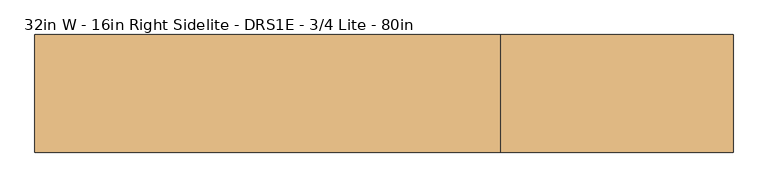
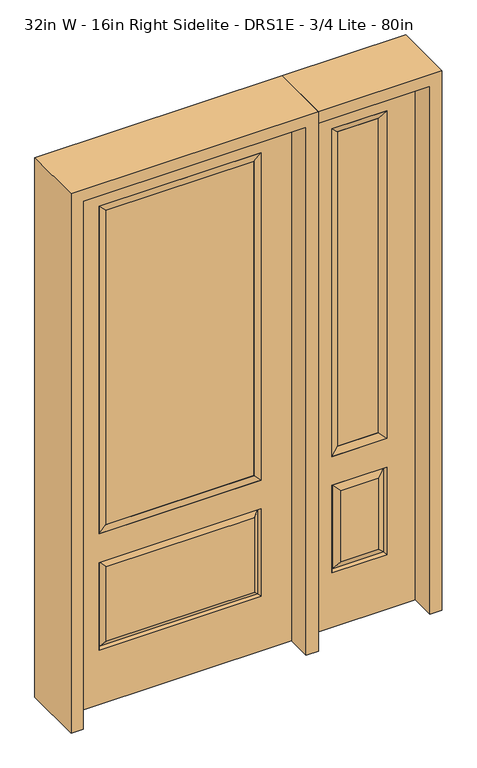
"""IFC4 building model written with IfcOpenShell, lengths in millimetres: door geometry, 32in W - 16in Right Sidelite - DRS1E - 3/4 Lite - 80in."""

import ifcopenshell
import ifcopenshell.guid

model = None  # the IFC model being written
_history = None  # IfcOwnerHistory: only IFC2X3 demands one
_inside = {}  # id of a spatial element -> (the spatial element, [elements in it])
_under = {}  # id of a project, library or spatial element -> (it, [spatial elements below it])
_declared = {}  # id of a project -> (the project, [libraries it declares])
_typed = {}  # id of a type object -> (the type object, [elements of that type])
_made_of = {}  # id of a material, layer set ... -> (it, [elements and type objects made of it])


def new_model(schema):
    """Start an empty IFC model of exactly this schema.

    Asked for "IFC4X3", IfcOpenShell would pick the latest addendum, in which some entities
    have other attributes; the version numbers below select the first issue.
    IFC2X3 requires an IfcOwnerHistory on every rooted entity: one is made here for all.
    """
    global model, _history
    if schema == "IFC4X3":
        model = ifcopenshell.file(schema_version=(4, 3, 0, 0))
    else:
        model = ifcopenshell.file(schema=schema)
    _inside.clear()
    _under.clear()
    _declared.clear()
    _typed.clear()
    _made_of.clear()
    _history = None
    if model.schema == "IFC2X3":
        org = make("IfcOrganization", Name="unknown")
        user = make(
            "IfcPersonAndOrganization",
            ThePerson=make("IfcPerson", FamilyName="unknown"),
            TheOrganization=org,
        )
        app = make(
            "IfcApplication",
            ApplicationDeveloper=org,
            Version="unknown",
            ApplicationFullName="unknown",
            ApplicationIdentifier="unknown",
        )
        _history = make(
            "IfcOwnerHistory",
            OwningUser=user,
            OwningApplication=app,
            ChangeAction="ADDED",
            CreationDate=0,
        )
    return model


def make(cls, **values):
    """One entity of the class cls with the attributes given. An attribute that is None is left unset."""
    return model.create_entity(
        cls, **{name: value for name, value in values.items() if value is not None}
    )


def rooted(cls, **values):
    """An entity with a GlobalId (a new one), such as an element, a storey or a relation."""
    return make(cls, GlobalId=ifcopenshell.guid.new(), OwnerHistory=_history, **values)


def si_unit(unit_type, name, prefix=None):
    """IfcSIUnit, for example si_unit("LENGTHUNIT", "METRE", prefix="MILLI")."""
    return make("IfcSIUnit", UnitType=unit_type, Prefix=prefix, Name=name)


def assignment(units):
    """IfcUnitAssignment: the units of a project."""
    return None if units is None else make("IfcUnitAssignment", Units=units)


def point(xyz):
    """IfcCartesianPoint."""
    return None if xyz is None else make("IfcCartesianPoint", Coordinates=xyz)


def direction(xyz):
    """IfcDirection."""
    return None if xyz is None else make("IfcDirection", DirectionRatios=xyz)


def frame(location, z_axis=None, x_axis=None):
    """IfcAxis2Placement3D, a coordinate frame: its origin and axes. An axis left out is left unset."""
    return make(
        "IfcAxis2Placement3D",
        Location=point(location),
        Axis=direction(z_axis),
        RefDirection=direction(x_axis),
    )


def origin():
    """The frame at (0, 0, 0) with its axes left unset."""
    return frame((0.0, 0.0, 0.0))


def place(relative_to, where):
    """IfcLocalPlacement: puts the frame where relative to a parent placement (None: the world)."""
    return make(
        "IfcLocalPlacement", PlacementRelTo=relative_to, RelativePlacement=where
    )


def context(
    kind, dimensions, precision=None, world=None, true_north=None, identifier=None
):
    """IfcGeometricRepresentationContext, for example the 3D "Model" context."""
    return make(
        "IfcGeometricRepresentationContext",
        ContextIdentifier=identifier,
        ContextType=kind,
        CoordinateSpaceDimension=dimensions,
        Precision=precision,
        WorldCoordinateSystem=world,
        TrueNorth=true_north,
    )


def project(units=None, contexts=None):
    """IfcProject with its units and contexts."""
    return rooted(
        "IfcProject",
        Name="project",
        RepresentationContexts=contexts,
        UnitsInContext=assignment(units),
    )


def spatial(cls, under=None, at=None, **own):
    """A site, building, storey or space (cls), placed at a placement, below another one or the project."""
    s = rooted(cls, ObjectPlacement=at, **own)
    if under is not None:
        _under.setdefault(under.id(), (under, []))[1].append(s)
    return s


def polyline(points):
    """IfcPolyline through the points."""
    return make("IfcPolyline", Points=[point(p) for p in points])


def outline(outer, holes=None, kind="AREA"):
    """IfcArbitraryClosedProfileDef: a profile drawn as a closed curve; with holes, ...WithVoids."""
    if holes is None:
        return make("IfcArbitraryClosedProfileDef", ProfileType=kind, OuterCurve=outer)
    return make(
        "IfcArbitraryProfileDefWithVoids",
        ProfileType=kind,
        OuterCurve=outer,
        InnerCurves=holes,
    )


def extrude(swept, where, along, depth):
    """IfcExtrudedAreaSolid: the profile swept, set in the frame where, extruded along a direction by depth."""
    return make(
        "IfcExtrudedAreaSolid",
        SweptArea=swept,
        Position=where,
        ExtrudedDirection=direction(along),
        Depth=depth,
    )


def faces_of(points, faces, orient=None, outer=None):
    """IfcFace entities. A face is a list of loops; a loop is a list of indices into points, from 0.

    orient and outer hold one flag for each loop. By default every Orientation is true, the
    first loop of a face is its IfcFaceOuterBound and the others are IfcFaceBound.
    """
    made = []
    for i, loops in enumerate(faces):
        bounds = []
        for j, loop in enumerate(loops):
            is_outer = j == 0 if outer is None else outer[i][j]
            bounds.append(
                make(
                    "IfcFaceOuterBound" if is_outer else "IfcFaceBound",
                    Bound=make("IfcPolyLoop", Polygon=[points[k] for k in loop]),
                    Orientation=True if orient is None else orient[i][j],
                )
            )
        made.append(make("IfcFace", Bounds=bounds))
    return made


def faceted_brep(points, faces, orient=None, outer=None, voids=None):
    """IfcFacetedBrep: a solid bounded by flat faces; with voids (closed shells), ...WithVoids."""
    shared = [point(p) for p in points]
    hull = make("IfcClosedShell", CfsFaces=faces_of(shared, faces, orient, outer))
    if voids is None:
        return make("IfcFacetedBrep", Outer=hull)
    return make(
        "IfcFacetedBrepWithVoids",
        Outer=hull,
        Voids=[
            make(cls, CfsFaces=faces_of(shared, fs, o, b)) for cls, fs, o, b in voids
        ],
    )


def shape(context_of_items, identifier, shape_type, items):
    """IfcShapeRepresentation: the items that make up one representation, for example the "Body"."""
    return make(
        "IfcShapeRepresentation",
        ContextOfItems=context_of_items,
        RepresentationIdentifier=identifier,
        RepresentationType=shape_type,
        Items=items,
    )


def source(mapping_origin, context_of_items, identifier, shape_type, items):
    """IfcRepresentationMap: a shape defined once, which mapped items show again and again."""
    return make(
        "IfcRepresentationMap",
        MappingOrigin=mapping_origin,
        MappedRepresentation=shape(context_of_items, identifier, shape_type, items),
    )


def transform(
    local_origin,
    x_axis=None,
    y_axis=None,
    z_axis=None,
    scale=None,
    scale2=None,
    scale3=None,
    uniform=True,
):
    """IfcCartesianTransformationOperator3D, or its non-uniform kind. x_axis, y_axis, z_axis: its Axis1, 2, 3."""
    if uniform:
        return make(
            "IfcCartesianTransformationOperator3D",
            Axis1=direction(x_axis),
            Axis2=direction(y_axis),
            LocalOrigin=point(local_origin),
            Scale=scale,
            Axis3=direction(z_axis),
        )
    return make(
        "IfcCartesianTransformationOperator3DnonUniform",
        Axis1=direction(x_axis),
        Axis2=direction(y_axis),
        LocalOrigin=point(local_origin),
        Scale=scale,
        Axis3=direction(z_axis),
        Scale2=scale2,
        Scale3=scale3,
    )


def mapped(mapping_source, mapping_target):
    """IfcMappedItem: shows the shape of a source again, moved by a transform."""
    return make(
        "IfcMappedItem", MappingSource=mapping_source, MappingTarget=mapping_target
    )


def made_of(thing, what):
    """Note that an element or type object is made of a material, layer set ...; save() writes the relation."""
    if what is not None:
        _made_of.setdefault(what.id(), (what, []))[1].append(thing)
    return thing


def element(
    cls,
    number,
    at=None,
    inside=None,
    cuts=None,
    type_object=None,
    material=None,
    context=None,
    identifier="Body",
    shape_type=None,
    held_by="IfcProductDefinitionShape",
    body=None,
    shapes=None,
    **own,
):
    """One element of the class cls, such as IfcWall. Its Tag is "e" and its number.

    at: its placement. inside: the storey or other place that contains it. cuts: it is an
    opening in that element (IfcRelVoidsElement). A single representation is given by context,
    identifier, shape_type and body (its items); several are given by shapes. held_by: the class
    of the entity that holds the representations. save() writes the other relations.
    """
    e = rooted(cls, Tag="e%d" % number, ObjectPlacement=at, **own)
    if body is not None:
        shapes = [shape(context, identifier, shape_type, body)]
    if shapes is not None:
        e.Representation = make(held_by, Representations=shapes)
    if inside is not None:
        _inside.setdefault(inside.id(), (inside, []))[1].append(e)
    if cuts is not None:
        rooted(
            "IfcRelVoidsElement", RelatingBuildingElement=cuts, RelatedOpeningElement=e
        )
    if type_object is not None:
        _typed.setdefault(type_object.id(), (type_object, []))[1].append(e)
    return made_of(e, material)


def aggregate(whole, parts):
    """IfcRelAggregates: a whole, such as a stair, and the parts it consists of."""
    return rooted("IfcRelAggregates", RelatingObject=whole, RelatedObjects=parts)


def save(model, path):
    """Write the relations noted so far, then the file.

    IfcRelAggregates (storeys below a building ...), IfcRelContainedInSpatialStructure (elements
    in a storey), IfcRelDefinesByType, IfcRelAssociatesMaterial and IfcRelDeclares: one each for
    every whole, place, type object, material and project.
    """
    for whole, parts in _under.values():
        aggregate(whole, parts)
    for where, things in _inside.values():
        rooted(
            "IfcRelContainedInSpatialStructure",
            RelatedElements=things,
            RelatingStructure=where,
        )
    for kind, things in _typed.values():
        rooted("IfcRelDefinesByType", RelatedObjects=things, RelatingType=kind)
    for what, things in _made_of.values():
        rooted("IfcRelAssociatesMaterial", RelatedObjects=things, RelatingMaterial=what)
    for by, libraries in _declared.values():
        rooted("IfcRelDeclares", RelatingContext=by, RelatedDefinitions=libraries)
    model.write(path)


def door_32in_w_16in_right_sidelite_drs1e_3_4_lite_80in_33503a93(model_context):
    return source(origin(), model_context, "Body", "SolidModel", [
        faceted_brep([(450.85, -22.225, 0.0), (857.25, -22.225, 0.0), (857.25, -22.225, 2032.0), (450.85, -22.225, 2032.0), (754.38, -22.225, 1919.224), (754.38, -22.225, 657.098), (553.72, -22.225, 657.098), (553.72, -22.225, 1919.224), (754.38, -22.225, 209.55), (553.72, -22.225, 209.55), (553.72, -22.225, 546.1), (754.38, -22.225, 546.1), (585.4351001, -22.225, 241.2651001), (722.6648999, -22.225, 241.2651001), (722.6648999, -22.225, 514.3848999), (585.4351001, -22.225, 514.3848999), (450.85, 22.225, 0.0), (450.85, 22.225, 2032.0), (857.25, 22.225, 2032.0), (857.25, 22.225, 0.0), (754.38, 22.225, 1919.224), (553.72, 22.225, 1919.224), (553.72, 22.225, 657.098), (754.38, 22.225, 657.098), (553.72, 22.225, 209.55), (754.38, 22.225, 209.55), (754.38, 22.225, 546.1), (553.72, 22.225, 546.1), (722.6648999, 22.225, 241.2651001), (585.4351001, 22.225, 241.2651001), (585.4351001, 22.225, 514.3848999), (722.6648999, 22.225, 514.3848999), (747.2711499, 12.7912373, 216.6588501), (560.8288501, 12.7912373, 216.6588501), (560.8288501, 12.7912373, 538.9911499), (747.2711499, 12.7912373, 538.9911499), (560.8288501, -12.7912373, 216.6588501), (747.2711499, -12.7912373, 216.6588501), (560.8288501, -12.7912373, 538.9911499), (747.2711499, -12.7912373, 538.9911499)], [[[0, 1, 2, 3], [4, 5, 6, 7], [8, 9, 10, 11]], [[12, 13, 14, 15]], [[16, 17, 18, 19], [20, 21, 22, 23], [24, 25, 26, 27]], [[28, 29, 30, 31]], [[1, 0, 16, 19]], [[2, 1, 19, 18]], [[3, 2, 18, 17]], [[0, 3, 17, 16]], [[5, 4, 20, 23]], [[6, 5, 23, 22]], [[7, 6, 22, 21]], [[4, 7, 21, 20]], [[32, 33, 29, 28]], [[33, 32, 25, 24]], [[29, 33, 34, 30]], [[33, 24, 27, 34]], [[30, 34, 35, 31]], [[34, 27, 26, 35]], [[32, 28, 31, 35]], [[25, 32, 35, 26]], [[12, 36, 37, 13]], [[37, 36, 9, 8]], [[36, 12, 15, 38]], [[9, 36, 38, 10]], [[38, 15, 14, 39]], [[10, 38, 39, 11]], [[13, 37, 39, 14]], [[37, 8, 11, 39]]]),
        faceted_brep([(553.72, 22.225, 1919.224), (553.72, -22.225, 1919.224), (754.38, -22.225, 1919.224), (754.38, 22.225, 1919.224), (579.12, 12.7, 1893.824), (728.98, 12.7, 1893.824), (579.12, -12.7, 1893.824), (728.98, -12.7, 1893.824), (754.38, -22.225, 657.098), (754.38, 22.225, 657.098), (728.98, 12.7, 682.498), (728.98, -12.7, 682.498), (553.72, -22.225, 657.098), (553.72, 22.225, 657.098), (579.12, 12.7, 682.498), (579.12, -12.7, 682.498)], [[[0, 1, 2, 3]], [[4, 0, 3, 5]], [[6, 4, 5, 7]], [[1, 6, 7, 2]], [[3, 2, 8, 9]], [[5, 3, 9, 10]], [[7, 5, 10, 11]], [[2, 7, 11, 8]], [[9, 8, 12, 13]], [[10, 9, 13, 14]], [[11, 10, 14, 15]], [[8, 11, 15, 12]], [[13, 12, 1, 0]], [[14, 13, 0, 4]], [[15, 14, 4, 6]], [[12, 15, 6, 1]]]),
        extrude(outline(polyline([(728.98, -12.7), (579.12, -12.7), (579.12, 12.7), (728.98, 12.7), (728.98, -12.7)])), frame((0.0, 0.0, 682.498), z_axis=(0.0, 0.0, 1.0), x_axis=(1.0, 0.0, 0.0)), (0.0, 0.0, 1.0), 1211.326),
        faceted_brep([(-288.1661499, -12.7912373, 216.6588501), (288.1661499, -12.7912373, 216.6588501), (270.66875, -22.225, 234.15625), (-270.66875, -22.225, 234.15625), (-295.275, -22.225, 209.55), (295.275, -22.225, 209.55), (-288.1661499, -12.7912373, 538.9911499), (-295.275, -22.225, 546.1), (270.66875, -22.225, 521.49375), (-270.66875, -22.225, 521.49375), (406.4, -22.225, 2032.0), (-406.4, -22.225, 2032.0), (-406.4, -22.225, 0.0), (406.4, -22.225, 0.0), (295.275, -22.225, 546.1), (295.275, -22.225, 1917.7), (295.275, -22.225, 657.098), (-295.275, -22.225, 657.098), (-295.275, -22.225, 1917.7), (288.1661499, -12.7912373, 538.9911499), (-406.4, 22.225, 2032.0), (-406.4, 22.225, 0.0), (406.4, 22.225, 0.0), (406.4, 22.225, 2032.0), (295.275, 22.225, 1917.7), (295.275, 22.225, 657.098), (-295.275, 22.225, 657.098), (-295.275, 22.225, 1917.7), (-295.275, 22.225, 209.55), (295.275, 22.225, 209.55), (295.275, 22.225, 546.1), (-295.275, 22.225, 546.1), (270.66875, 22.225, 234.15625), (-270.66875, 22.225, 234.15625), (-270.66875, 22.225, 521.49375), (270.66875, 22.225, 521.49375), (-288.1661499, 12.7912373, 216.6588501), (288.1661499, 12.7912373, 216.6588501), (288.1661499, 12.7912373, 538.9911499), (-288.1661499, 12.7912373, 538.9911499)], [[[0, 1, 2, 3]], [[1, 0, 4, 5]], [[4, 0, 6, 7]], [[3, 2, 8, 9]], [[10, 11, 12, 13], [5, 4, 7, 14], [15, 16, 17, 18]], [[1, 5, 14, 19]], [[2, 1, 19, 8]], [[0, 3, 9, 6]], [[7, 6, 19, 14]], [[6, 9, 8, 19]], [[12, 11, 20, 21]], [[13, 12, 21, 22]], [[10, 13, 22, 23]], [[16, 15, 24, 25]], [[17, 16, 25, 26]], [[18, 17, 26, 27]], [[23, 22, 21, 20], [28, 29, 30, 31], [24, 27, 26, 25]], [[32, 33, 34, 35]], [[28, 36, 37, 29]], [[29, 37, 38, 30]], [[39, 31, 30, 38]], [[36, 28, 31, 39]], [[37, 36, 33, 32]], [[33, 36, 39, 34]], [[34, 39, 38, 35]], [[37, 32, 35, 38]], [[11, 10, 23, 20]], [[15, 18, 27, 24]]]),
        faceted_brep([(-295.275, -22.225, 1917.7), (-295.275, 22.225, 1917.7), (-295.275, 22.225, 657.098), (-295.275, -22.225, 657.098), (295.275, 22.225, 657.098), (295.275, -22.225, 657.098), (-269.875, 5.08, 682.498), (269.875, 5.08, 682.498), (295.275, 22.225, 1917.7), (295.275, -22.225, 1917.7), (-269.875, -20.32, 682.498), (269.875, -20.32, 682.498), (-269.875, -20.32, 1892.3), (269.875, -20.32, 1892.3), (-269.875, 5.08, 1892.3), (269.875, 5.08, 1892.3)], [[[0, 1, 2, 3]], [[3, 2, 4, 5]], [[2, 6, 7, 4]], [[5, 4, 8, 9]], [[10, 3, 5, 11]], [[12, 0, 3, 10]], [[11, 5, 9, 13]], [[6, 10, 11, 7]], [[14, 12, 10, 6]], [[7, 11, 13, 15]], [[1, 14, 6, 2]], [[4, 7, 15, 8]], [[9, 8, 1, 0]], [[13, 9, 0, 12]], [[15, 13, 12, 14]], [[8, 15, 14, 1]]]),
        extrude(outline(polyline([(269.875, -20.32), (-269.875, -20.32), (-269.875, 5.08), (269.875, 5.08), (269.875, -20.32)])), frame((0.0, 0.0, 682.498), z_axis=(0.0, 0.0, 1.0), x_axis=(1.0, 0.0, 0.0)), (0.0, 0.0, 1.0), 1209.802),
        extrude(outline(polyline([(2076.45, -450.85), (0.0, -450.85), (0.0, -406.4), (2032.0, -406.4), (2032.0, 406.4), (0.0, 406.4), (0.0, 450.85), (2076.45, 450.85), (2076.45, -450.85)])), frame((0.0, -114.3, 0.0), z_axis=(0.0, 1.0, 0.0), x_axis=(0.0, 0.0, 1.0)), (0.0, 0.0, 1.0), 228.6),
        extrude(outline(polyline([(0.0, 857.25), (0.0, 901.7), (2076.45, 901.7), (2076.45, 450.85), (2032.0, 450.85), (2032.0, 857.25), (0.0, 857.25)])), frame((0.0, -114.3, 0.0), z_axis=(0.0, 1.0, 0.0), x_axis=(0.0, 0.0, 1.0)), (0.0, 0.0, 1.0), 228.6),
    ])


if __name__ == "__main__":
    model = new_model("IFC4")
    model_context = context("Model", 3, world=origin())
    ifc_project = project(units=[si_unit("LENGTHUNIT", "METRE", prefix="MILLI")], contexts=[model_context])
    site = spatial("IfcSite", under=ifc_project)
    building = spatial("IfcBuilding", under=site)
    placement = place(None, origin())
    door_32in_w_16in_right_sidelite_drs1e_3_4_lite_80in_shape = door_32in_w_16in_right_sidelite_drs1e_3_4_lite_80in_33503a93(model_context)
    element("IfcDoor", 1, ObjectType="32in W - 16in Right Sidelite - DRS1E - 3/4 Lite - 80in", at=placement, inside=building, context=model_context, shape_type="MappedRepresentation", body=[
        mapped(door_32in_w_16in_right_sidelite_drs1e_3_4_lite_80in_shape, transform((0.0, 0.0, 0.0), x_axis=(1.0, 0.0, 0.0), y_axis=(0.0, 1.0, 0.0), z_axis=(0.0, 0.0, 1.0))),
    ])
    save(model, "model.ifc")
